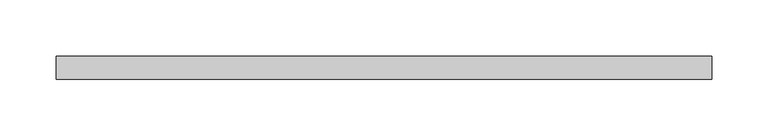
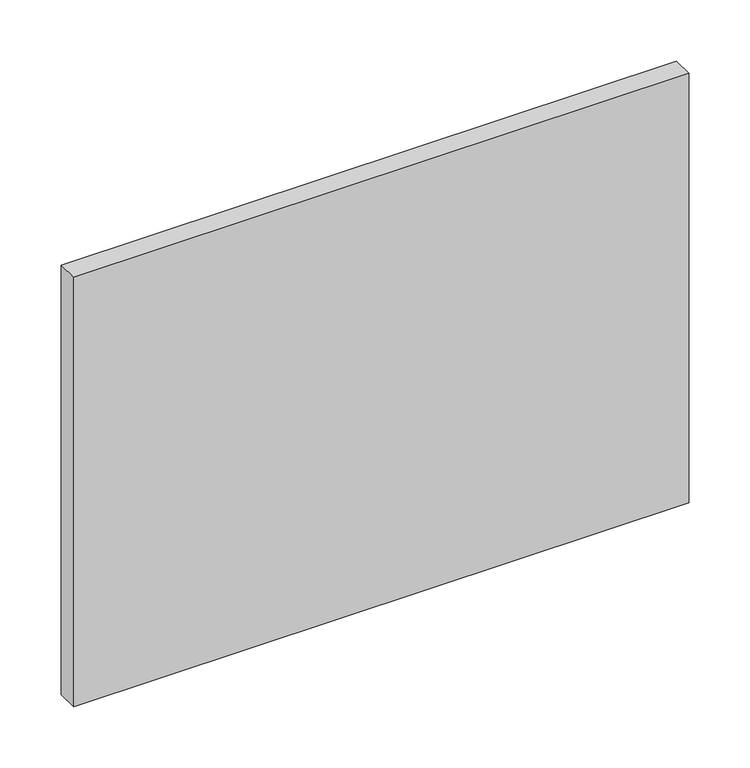
"""IFC4 building model written with IfcOpenShell, lengths in millimetres: plate geometry."""

import ifcopenshell
import ifcopenshell.guid

model = None  # the IFC model being written
_history = None  # IfcOwnerHistory: only IFC2X3 demands one
_inside = {}  # id of a spatial element -> (the spatial element, [elements in it])
_under = {}  # id of a project, library or spatial element -> (it, [spatial elements below it])
_declared = {}  # id of a project -> (the project, [libraries it declares])
_typed = {}  # id of a type object -> (the type object, [elements of that type])
_made_of = {}  # id of a material, layer set ... -> (it, [elements and type objects made of it])


def new_model(schema):
    """Start an empty IFC model of exactly this schema.

    Asked for "IFC4X3", IfcOpenShell would pick the latest addendum, in which some entities
    have other attributes; the version numbers below select the first issue.
    IFC2X3 requires an IfcOwnerHistory on every rooted entity: one is made here for all.
    """
    global model, _history
    if schema == "IFC4X3":
        model = ifcopenshell.file(schema_version=(4, 3, 0, 0))
    else:
        model = ifcopenshell.file(schema=schema)
    _inside.clear()
    _under.clear()
    _declared.clear()
    _typed.clear()
    _made_of.clear()
    _history = None
    if model.schema == "IFC2X3":
        org = make("IfcOrganization", Name="unknown")
        user = make(
            "IfcPersonAndOrganization",
            ThePerson=make("IfcPerson", FamilyName="unknown"),
            TheOrganization=org,
        )
        app = make(
            "IfcApplication",
            ApplicationDeveloper=org,
            Version="unknown",
            ApplicationFullName="unknown",
            ApplicationIdentifier="unknown",
        )
        _history = make(
            "IfcOwnerHistory",
            OwningUser=user,
            OwningApplication=app,
            ChangeAction="ADDED",
            CreationDate=0,
        )
    return model


def make(cls, **values):
    """One entity of the class cls with the attributes given. An attribute that is None is left unset."""
    return model.create_entity(
        cls, **{name: value for name, value in values.items() if value is not None}
    )


def rooted(cls, **values):
    """An entity with a GlobalId (a new one), such as an element, a storey or a relation."""
    return make(cls, GlobalId=ifcopenshell.guid.new(), OwnerHistory=_history, **values)


def si_unit(unit_type, name, prefix=None):
    """IfcSIUnit, for example si_unit("LENGTHUNIT", "METRE", prefix="MILLI")."""
    return make("IfcSIUnit", UnitType=unit_type, Prefix=prefix, Name=name)


def assignment(units):
    """IfcUnitAssignment: the units of a project."""
    return None if units is None else make("IfcUnitAssignment", Units=units)


def point(xyz):
    """IfcCartesianPoint."""
    return None if xyz is None else make("IfcCartesianPoint", Coordinates=xyz)


def direction(xyz):
    """IfcDirection."""
    return None if xyz is None else make("IfcDirection", DirectionRatios=xyz)


def frame(location, z_axis=None, x_axis=None):
    """IfcAxis2Placement3D, a coordinate frame: its origin and axes. An axis left out is left unset."""
    return make(
        "IfcAxis2Placement3D",
        Location=point(location),
        Axis=direction(z_axis),
        RefDirection=direction(x_axis),
    )


def origin():
    """The frame at (0, 0, 0) with its axes left unset."""
    return frame((0.0, 0.0, 0.0))


def origin_with_axes():
    """The frame at (0, 0, 0) with the z axis (0, 0, 1) and the x axis (1, 0, 0) written out."""
    return frame((0.0, 0.0, 0.0), z_axis=(0.0, 0.0, 1.0), x_axis=(1.0, 0.0, 0.0))


def place(relative_to, where):
    """IfcLocalPlacement: puts the frame where relative to a parent placement (None: the world)."""
    return make(
        "IfcLocalPlacement", PlacementRelTo=relative_to, RelativePlacement=where
    )


def context(
    kind, dimensions, precision=None, world=None, true_north=None, identifier=None
):
    """IfcGeometricRepresentationContext, for example the 3D "Model" context."""
    return make(
        "IfcGeometricRepresentationContext",
        ContextIdentifier=identifier,
        ContextType=kind,
        CoordinateSpaceDimension=dimensions,
        Precision=precision,
        WorldCoordinateSystem=world,
        TrueNorth=true_north,
    )


def project(units=None, contexts=None):
    """IfcProject with its units and contexts."""
    return rooted(
        "IfcProject",
        Name="project",
        RepresentationContexts=contexts,
        UnitsInContext=assignment(units),
    )


def spatial(cls, under=None, at=None, **own):
    """A site, building, storey or space (cls), placed at a placement, below another one or the project."""
    s = rooted(cls, ObjectPlacement=at, **own)
    if under is not None:
        _under.setdefault(under.id(), (under, []))[1].append(s)
    return s


def polyline(points):
    """IfcPolyline through the points."""
    return make("IfcPolyline", Points=[point(p) for p in points])


def outline(outer, holes=None, kind="AREA"):
    """IfcArbitraryClosedProfileDef: a profile drawn as a closed curve; with holes, ...WithVoids."""
    if holes is None:
        return make("IfcArbitraryClosedProfileDef", ProfileType=kind, OuterCurve=outer)
    return make(
        "IfcArbitraryProfileDefWithVoids",
        ProfileType=kind,
        OuterCurve=outer,
        InnerCurves=holes,
    )


def extrude(swept, where, along, depth):
    """IfcExtrudedAreaSolid: the profile swept, set in the frame where, extruded along a direction by depth."""
    return make(
        "IfcExtrudedAreaSolid",
        SweptArea=swept,
        Position=where,
        ExtrudedDirection=direction(along),
        Depth=depth,
    )


def shape(context_of_items, identifier, shape_type, items):
    """IfcShapeRepresentation: the items that make up one representation, for example the "Body"."""
    return make(
        "IfcShapeRepresentation",
        ContextOfItems=context_of_items,
        RepresentationIdentifier=identifier,
        RepresentationType=shape_type,
        Items=items,
    )


def source(mapping_origin, context_of_items, identifier, shape_type, items):
    """IfcRepresentationMap: a shape defined once, which mapped items show again and again."""
    return make(
        "IfcRepresentationMap",
        MappingOrigin=mapping_origin,
        MappedRepresentation=shape(context_of_items, identifier, shape_type, items),
    )


def transform(
    local_origin,
    x_axis=None,
    y_axis=None,
    z_axis=None,
    scale=None,
    scale2=None,
    scale3=None,
    uniform=True,
):
    """IfcCartesianTransformationOperator3D, or its non-uniform kind. x_axis, y_axis, z_axis: its Axis1, 2, 3."""
    if uniform:
        return make(
            "IfcCartesianTransformationOperator3D",
            Axis1=direction(x_axis),
            Axis2=direction(y_axis),
            LocalOrigin=point(local_origin),
            Scale=scale,
            Axis3=direction(z_axis),
        )
    return make(
        "IfcCartesianTransformationOperator3DnonUniform",
        Axis1=direction(x_axis),
        Axis2=direction(y_axis),
        LocalOrigin=point(local_origin),
        Scale=scale,
        Axis3=direction(z_axis),
        Scale2=scale2,
        Scale3=scale3,
    )


def mapped(mapping_source, mapping_target):
    """IfcMappedItem: shows the shape of a source again, moved by a transform."""
    return make(
        "IfcMappedItem", MappingSource=mapping_source, MappingTarget=mapping_target
    )


def made_of(thing, what):
    """Note that an element or type object is made of a material, layer set ...; save() writes the relation."""
    if what is not None:
        _made_of.setdefault(what.id(), (what, []))[1].append(thing)
    return thing


def element(
    cls,
    number,
    at=None,
    inside=None,
    cuts=None,
    type_object=None,
    material=None,
    context=None,
    identifier="Body",
    shape_type=None,
    held_by="IfcProductDefinitionShape",
    body=None,
    shapes=None,
    **own,
):
    """One element of the class cls, such as IfcWall. Its Tag is "e" and its number.

    at: its placement. inside: the storey or other place that contains it. cuts: it is an
    opening in that element (IfcRelVoidsElement). A single representation is given by context,
    identifier, shape_type and body (its items); several are given by shapes. held_by: the class
    of the entity that holds the representations. save() writes the other relations.
    """
    e = rooted(cls, Tag="e%d" % number, ObjectPlacement=at, **own)
    if body is not None:
        shapes = [shape(context, identifier, shape_type, body)]
    if shapes is not None:
        e.Representation = make(held_by, Representations=shapes)
    if inside is not None:
        _inside.setdefault(inside.id(), (inside, []))[1].append(e)
    if cuts is not None:
        rooted(
            "IfcRelVoidsElement", RelatingBuildingElement=cuts, RelatedOpeningElement=e
        )
    if type_object is not None:
        _typed.setdefault(type_object.id(), (type_object, []))[1].append(e)
    return made_of(e, material)


def aggregate(whole, parts):
    """IfcRelAggregates: a whole, such as a stair, and the parts it consists of."""
    return rooted("IfcRelAggregates", RelatingObject=whole, RelatedObjects=parts)


def save(model, path):
    """Write the relations noted so far, then the file.

    IfcRelAggregates (storeys below a building ...), IfcRelContainedInSpatialStructure (elements
    in a storey), IfcRelDefinesByType, IfcRelAssociatesMaterial and IfcRelDeclares: one each for
    every whole, place, type object, material and project.
    """
    for whole, parts in _under.values():
        aggregate(whole, parts)
    for where, things in _inside.values():
        rooted(
            "IfcRelContainedInSpatialStructure",
            RelatedElements=things,
            RelatingStructure=where,
        )
    for kind, things in _typed.values():
        rooted("IfcRelDefinesByType", RelatedObjects=things, RelatingType=kind)
    for what, things in _made_of.values():
        rooted("IfcRelAssociatesMaterial", RelatedObjects=things, RelatingMaterial=what)
    for by, libraries in _declared.values():
        rooted("IfcRelDeclares", RelatingContext=by, RelatedDefinitions=libraries)
    model.write(path)


def plate_2f837cbb(model_context):
    return source(origin(), model_context, "Body", "SweptSolid", [
        extrude(outline(polyline([(290.0, -90.0), (-290.0, -90.0), (-290.0, -70.0), (290.0, -70.0), (290.0, -90.0)])), origin_with_axes(), (0.0, 0.0, 1.0), 427.7324119),
    ])


if __name__ == "__main__":
    model = new_model("IFC4")
    model_context = context("Model", 3, world=origin())
    ifc_project = project(units=[si_unit("LENGTHUNIT", "METRE", prefix="MILLI")], contexts=[model_context])
    site = spatial("IfcSite", under=ifc_project)
    building = spatial("IfcBuilding", under=site)
    placement = place(None, origin())
    plate_shape = plate_2f837cbb(model_context)
    element("IfcPlate", 1, at=placement, inside=building, context=model_context, shape_type="MappedRepresentation", body=[
        mapped(plate_shape, transform((0.0, 0.0, 0.0), x_axis=(1.0, 0.0, 0.0), y_axis=(0.0, 1.0, 0.0), z_axis=(0.0, 0.0, 1.0))),
    ])
    save(model, "model.ifc")
